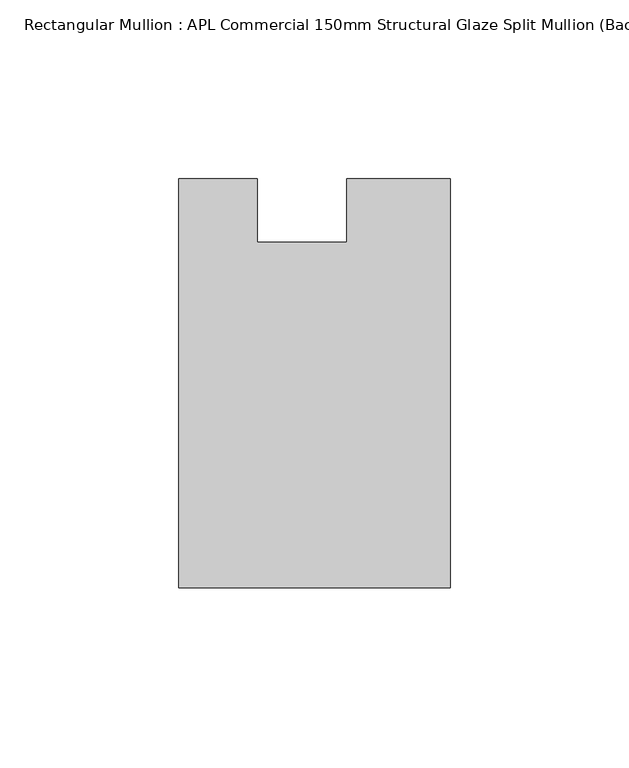
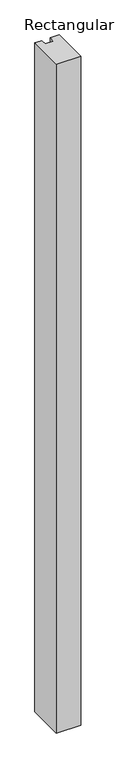
"""IFC4 building model written with IfcOpenShell, lengths in millimetres: member geometry, Rectangular Mullion : APL Commercial 150mm Structural Glaze Split Mullion (Back)."""

import ifcopenshell
import ifcopenshell.guid

model = None  # the IFC model being written
_history = None  # IfcOwnerHistory: only IFC2X3 demands one
_inside = {}  # id of a spatial element -> (the spatial element, [elements in it])
_under = {}  # id of a project, library or spatial element -> (it, [spatial elements below it])
_declared = {}  # id of a project -> (the project, [libraries it declares])
_typed = {}  # id of a type object -> (the type object, [elements of that type])
_made_of = {}  # id of a material, layer set ... -> (it, [elements and type objects made of it])


def new_model(schema):
    """Start an empty IFC model of exactly this schema.

    Asked for "IFC4X3", IfcOpenShell would pick the latest addendum, in which some entities
    have other attributes; the version numbers below select the first issue.
    IFC2X3 requires an IfcOwnerHistory on every rooted entity: one is made here for all.
    """
    global model, _history
    if schema == "IFC4X3":
        model = ifcopenshell.file(schema_version=(4, 3, 0, 0))
    else:
        model = ifcopenshell.file(schema=schema)
    _inside.clear()
    _under.clear()
    _declared.clear()
    _typed.clear()
    _made_of.clear()
    _history = None
    if model.schema == "IFC2X3":
        org = make("IfcOrganization", Name="unknown")
        user = make(
            "IfcPersonAndOrganization",
            ThePerson=make("IfcPerson", FamilyName="unknown"),
            TheOrganization=org,
        )
        app = make(
            "IfcApplication",
            ApplicationDeveloper=org,
            Version="unknown",
            ApplicationFullName="unknown",
            ApplicationIdentifier="unknown",
        )
        _history = make(
            "IfcOwnerHistory",
            OwningUser=user,
            OwningApplication=app,
            ChangeAction="ADDED",
            CreationDate=0,
        )
    return model


def make(cls, **values):
    """One entity of the class cls with the attributes given. An attribute that is None is left unset."""
    return model.create_entity(
        cls, **{name: value for name, value in values.items() if value is not None}
    )


def rooted(cls, **values):
    """An entity with a GlobalId (a new one), such as an element, a storey or a relation."""
    return make(cls, GlobalId=ifcopenshell.guid.new(), OwnerHistory=_history, **values)


def si_unit(unit_type, name, prefix=None):
    """IfcSIUnit, for example si_unit("LENGTHUNIT", "METRE", prefix="MILLI")."""
    return make("IfcSIUnit", UnitType=unit_type, Prefix=prefix, Name=name)


def assignment(units):
    """IfcUnitAssignment: the units of a project."""
    return None if units is None else make("IfcUnitAssignment", Units=units)


def point(xyz):
    """IfcCartesianPoint."""
    return None if xyz is None else make("IfcCartesianPoint", Coordinates=xyz)


def direction(xyz):
    """IfcDirection."""
    return None if xyz is None else make("IfcDirection", DirectionRatios=xyz)


def frame(location, z_axis=None, x_axis=None):
    """IfcAxis2Placement3D, a coordinate frame: its origin and axes. An axis left out is left unset."""
    return make(
        "IfcAxis2Placement3D",
        Location=point(location),
        Axis=direction(z_axis),
        RefDirection=direction(x_axis),
    )


def origin():
    """The frame at (0, 0, 0) with its axes left unset."""
    return frame((0.0, 0.0, 0.0))


def place(relative_to, where):
    """IfcLocalPlacement: puts the frame where relative to a parent placement (None: the world)."""
    return make(
        "IfcLocalPlacement", PlacementRelTo=relative_to, RelativePlacement=where
    )


def context(
    kind, dimensions, precision=None, world=None, true_north=None, identifier=None
):
    """IfcGeometricRepresentationContext, for example the 3D "Model" context."""
    return make(
        "IfcGeometricRepresentationContext",
        ContextIdentifier=identifier,
        ContextType=kind,
        CoordinateSpaceDimension=dimensions,
        Precision=precision,
        WorldCoordinateSystem=world,
        TrueNorth=true_north,
    )


def project(units=None, contexts=None):
    """IfcProject with its units and contexts."""
    return rooted(
        "IfcProject",
        Name="project",
        RepresentationContexts=contexts,
        UnitsInContext=assignment(units),
    )


def spatial(cls, under=None, at=None, **own):
    """A site, building, storey or space (cls), placed at a placement, below another one or the project."""
    s = rooted(cls, ObjectPlacement=at, **own)
    if under is not None:
        _under.setdefault(under.id(), (under, []))[1].append(s)
    return s


def polyline(points):
    """IfcPolyline through the points."""
    return make("IfcPolyline", Points=[point(p) for p in points])


def outline(outer, holes=None, kind="AREA"):
    """IfcArbitraryClosedProfileDef: a profile drawn as a closed curve; with holes, ...WithVoids."""
    if holes is None:
        return make("IfcArbitraryClosedProfileDef", ProfileType=kind, OuterCurve=outer)
    return make(
        "IfcArbitraryProfileDefWithVoids",
        ProfileType=kind,
        OuterCurve=outer,
        InnerCurves=holes,
    )


def extrude(swept, where, along, depth):
    """IfcExtrudedAreaSolid: the profile swept, set in the frame where, extruded along a direction by depth."""
    return make(
        "IfcExtrudedAreaSolid",
        SweptArea=swept,
        Position=where,
        ExtrudedDirection=direction(along),
        Depth=depth,
    )


def shape(context_of_items, identifier, shape_type, items):
    """IfcShapeRepresentation: the items that make up one representation, for example the "Body"."""
    return make(
        "IfcShapeRepresentation",
        ContextOfItems=context_of_items,
        RepresentationIdentifier=identifier,
        RepresentationType=shape_type,
        Items=items,
    )


def source(mapping_origin, context_of_items, identifier, shape_type, items):
    """IfcRepresentationMap: a shape defined once, which mapped items show again and again."""
    return make(
        "IfcRepresentationMap",
        MappingOrigin=mapping_origin,
        MappedRepresentation=shape(context_of_items, identifier, shape_type, items),
    )


def transform(
    local_origin,
    x_axis=None,
    y_axis=None,
    z_axis=None,
    scale=None,
    scale2=None,
    scale3=None,
    uniform=True,
):
    """IfcCartesianTransformationOperator3D, or its non-uniform kind. x_axis, y_axis, z_axis: its Axis1, 2, 3."""
    if uniform:
        return make(
            "IfcCartesianTransformationOperator3D",
            Axis1=direction(x_axis),
            Axis2=direction(y_axis),
            LocalOrigin=point(local_origin),
            Scale=scale,
            Axis3=direction(z_axis),
        )
    return make(
        "IfcCartesianTransformationOperator3DnonUniform",
        Axis1=direction(x_axis),
        Axis2=direction(y_axis),
        LocalOrigin=point(local_origin),
        Scale=scale,
        Axis3=direction(z_axis),
        Scale2=scale2,
        Scale3=scale3,
    )


def mapped(mapping_source, mapping_target):
    """IfcMappedItem: shows the shape of a source again, moved by a transform."""
    return make(
        "IfcMappedItem", MappingSource=mapping_source, MappingTarget=mapping_target
    )


def made_of(thing, what):
    """Note that an element or type object is made of a material, layer set ...; save() writes the relation."""
    if what is not None:
        _made_of.setdefault(what.id(), (what, []))[1].append(thing)
    return thing


def element(
    cls,
    number,
    at=None,
    inside=None,
    cuts=None,
    type_object=None,
    material=None,
    context=None,
    identifier="Body",
    shape_type=None,
    held_by="IfcProductDefinitionShape",
    body=None,
    shapes=None,
    **own,
):
    """One element of the class cls, such as IfcWall. Its Tag is "e" and its number.

    at: its placement. inside: the storey or other place that contains it. cuts: it is an
    opening in that element (IfcRelVoidsElement). A single representation is given by context,
    identifier, shape_type and body (its items); several are given by shapes. held_by: the class
    of the entity that holds the representations. save() writes the other relations.
    """
    e = rooted(cls, Tag="e%d" % number, ObjectPlacement=at, **own)
    if body is not None:
        shapes = [shape(context, identifier, shape_type, body)]
    if shapes is not None:
        e.Representation = make(held_by, Representations=shapes)
    if inside is not None:
        _inside.setdefault(inside.id(), (inside, []))[1].append(e)
    if cuts is not None:
        rooted(
            "IfcRelVoidsElement", RelatingBuildingElement=cuts, RelatedOpeningElement=e
        )
    if type_object is not None:
        _typed.setdefault(type_object.id(), (type_object, []))[1].append(e)
    return made_of(e, material)


def aggregate(whole, parts):
    """IfcRelAggregates: a whole, such as a stair, and the parts it consists of."""
    return rooted("IfcRelAggregates", RelatingObject=whole, RelatedObjects=parts)


def save(model, path):
    """Write the relations noted so far, then the file.

    IfcRelAggregates (storeys below a building ...), IfcRelContainedInSpatialStructure (elements
    in a storey), IfcRelDefinesByType, IfcRelAssociatesMaterial and IfcRelDeclares: one each for
    every whole, place, type object, material and project.
    """
    for whole, parts in _under.values():
        aggregate(whole, parts)
    for where, things in _inside.values():
        rooted(
            "IfcRelContainedInSpatialStructure",
            RelatedElements=things,
            RelatingStructure=where,
        )
    for kind, things in _typed.values():
        rooted("IfcRelDefinesByType", RelatedObjects=things, RelatingType=kind)
    for what, things in _made_of.values():
        rooted("IfcRelAssociatesMaterial", RelatedObjects=things, RelatingMaterial=what)
    for by, libraries in _declared.values():
        rooted("IfcRelDeclares", RelatingContext=by, RelatedDefinitions=libraries)
    model.write(path)


def rectangular_mullion_apl_commercial_150mm_structural_glaze_e0007e2f(model_context):
    return source(origin(), model_context, "Body", "SweptSolid", [
        extrude(outline(polyline([(37.9999914, -129.5195626), (-37.9999896, -129.5195626), (-37.9999896, -14.9960123), (-16.0, -14.9960123), (-16.0, -32.7960123), (9.0, -32.7960123), (9.0, -14.9960123), (37.9999914, -14.9960123), (37.9999914, -129.5195626)])), frame((0.0, 0.0, -2200.0), z_axis=(0.0, 0.0, 1.0), x_axis=(1.0, 0.0, 0.0)), (0.0, 0.0, 1.0), 2200.0),
    ])


if __name__ == "__main__":
    model = new_model("IFC4")
    model_context = context("Model", 3, world=origin())
    ifc_project = project(units=[si_unit("LENGTHUNIT", "METRE", prefix="MILLI")], contexts=[model_context])
    site = spatial("IfcSite", under=ifc_project)
    building = spatial("IfcBuilding", under=site)
    placement = place(None, origin())
    rectangular_mullion_apl_commercial_150mm_structural_glaze_shape = rectangular_mullion_apl_commercial_150mm_structural_glaze_e0007e2f(model_context)
    element("IfcMember", 1, ObjectType="Rectangular Mullion : APL Commercial 150mm Structural Glaze Split Mullion (Back)", at=placement, inside=building, context=model_context, shape_type="MappedRepresentation", body=[
        mapped(rectangular_mullion_apl_commercial_150mm_structural_glaze_shape, transform((0.0, 0.0, 0.0), x_axis=(1.0, 0.0, 0.0), y_axis=(0.0, 1.0, 0.0), z_axis=(0.0, 0.0, 1.0))),
    ])
    save(model, "model.ifc")
